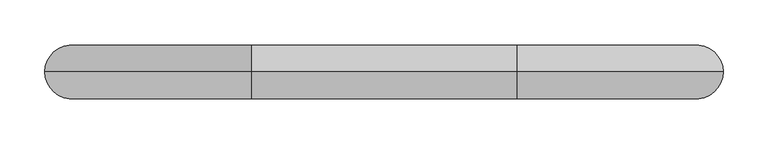
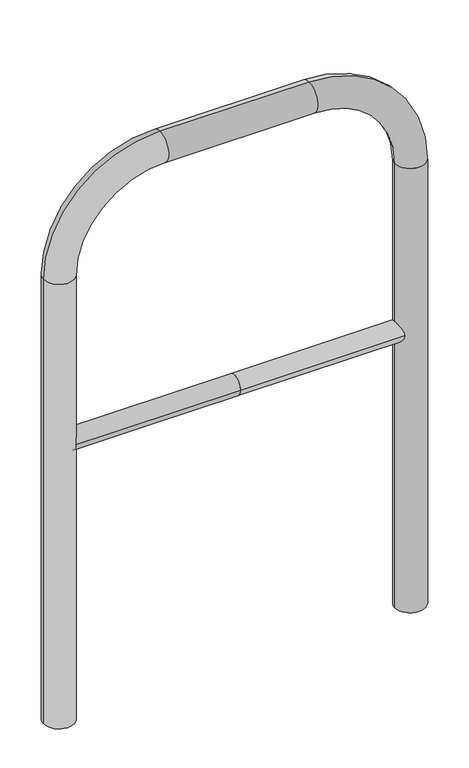
"""IFC4 building model written with IfcOpenShell, lengths in millimetres: proxy geometry."""

from ifc_helpers import new_model, si_unit, point, frame, frame_2d, origin, place, context, project, spatial, circle_curve, ellipse_curve, trimmed, segment, composite_curve, outline, extrude, source, transform, mapped, element, save
from ifc_brep_helpers import plane_surface, cylinder_surface, revolved_surface, advanced_brep


def generic_models_7c62ab7f(model_context):
    return source(origin(), model_context, "Body", "SolidModel", [
        extrude(outline(composite_curve([segment(trimmed(circle_curve(frame_2d((0.0, 498.4778375)), 20.0), [point((-20.0, 498.4778375))], [point((20.0, 498.4778375))], False, "CARTESIAN"), True, "CONTINUOUS"), segment(trimmed(circle_curve(frame_2d((0.0, 498.4778375)), 20.0), [point((20.0, 498.4778375))], [point((-20.0, 498.4778375))], False, "CARTESIAN"), True, "CONTINUOUS")], self_intersect=False)), frame((-347.5182478, 0.0, 0.0), z_axis=(1.0, 0.0, 0.0), x_axis=(0.0, 1.0, 0.0)), (0.0, 0.0, 1.0), 347.5182478),
        extrude(outline(composite_curve([segment(trimmed(circle_curve(frame_2d((0.0, 498.4778375)), 20.0), [point((-20.0, 498.4778375))], [point((20.0, 498.4778375))], False, "CARTESIAN"), True, "CONTINUOUS"), segment(trimmed(circle_curve(frame_2d((0.0, 498.4778375)), 20.0), [point((20.0, 498.4778375))], [point((-20.0, 498.4778375))], False, "CARTESIAN"), True, "CONTINUOUS")], self_intersect=False)), frame((0.0, 0.0, 0.0), z_axis=(1.0, 0.0, 0.0), x_axis=(0.0, 1.0, 0.0)), (0.0, 0.0, 1.0), 347.5182478),
        advanced_brep(
        [(-317.5182478, 0.0, -80.0), (-377.5182478, 0.0, -80.0), (-317.5182478, 0.0, 850.0), (-377.5182478, 0.0, 850.0), (-147.5182478, 0.0, 1080.0), (-147.5182478, 0.0, 1020.0), (147.5182478, 0.0, 1020.0), (147.5182478, 0.0, 1080.0), (377.5182478, 0.0, 850.0), (317.5182478, 0.0, 850.0), (317.5182478, 0.0, -80.0), (377.5182478, 0.0, -80.0)],
        [
            (0, 1, circle_curve(frame((-347.5182478, 0.0, -80.0), z_axis=(0.0, 0.0, -1.0), x_axis=(-1.0, 0.0, 0.0)), 30.0)),
            (1, 0, circle_curve(frame((-347.5182478, 0.0, -80.0), z_axis=(0.0, 0.0, -1.0), x_axis=(-1.0, 0.0, 0.0)), 30.0)),
            (0, 2),
            (2, 3, circle_curve(frame((-347.5182478, 0.0, 850.0), z_axis=(0.0, 0.0, -1.0), x_axis=(-1.0, 0.0, 0.0)), 30.0)),
            (3, 1),
            (3, 2, circle_curve(frame((-347.5182478, 0.0, 850.0), z_axis=(0.0, 0.0, -1.0), x_axis=(-1.0, 0.0, 0.0)), 30.0)),
            (4, 3, circle_curve(frame((-147.5182478, 0.0, 850.0), z_axis=(0.0, -1.0, 0.0), x_axis=(-1.0, 0.0, 0.0)), 230.0)),
            (2, 5, circle_curve(frame((-147.5182478, 0.0, 850.0), z_axis=(0.0, 1.0, 0.0), x_axis=(-1.0, 0.0, 0.0)), 170.0)),
            (5, 4, circle_curve(frame((-147.5182478, 0.0, 1050.0), z_axis=(-1.0, 0.0, 0.0), x_axis=(0.0, 0.0, 1.0)), 30.0)),
            (4, 5, circle_curve(frame((-147.5182478, 0.0, 1050.0), z_axis=(-1.0, 0.0, 0.0), x_axis=(0.0, 0.0, 1.0)), 30.0)),
            (5, 6),
            (6, 7, circle_curve(frame((147.5182478, 0.0, 1050.0), z_axis=(-1.0, 0.0, 0.0), x_axis=(0.0, 0.0, 1.0)), 30.0)),
            (7, 4),
            (7, 6, circle_curve(frame((147.5182478, 0.0, 1050.0), z_axis=(-1.0, 0.0, 0.0), x_axis=(0.0, 0.0, 1.0)), 30.0)),
            (8, 7, circle_curve(frame((147.5182478, 0.0, 850.0), z_axis=(0.0, -1.0, 0.0), x_axis=(0.0, 0.0, 1.0)), 230.0)),
            (6, 9, circle_curve(frame((147.5182478, 0.0, 850.0), z_axis=(0.0, 1.0, 0.0), x_axis=(0.0, 0.0, 1.0)), 170.0)),
            (9, 8, circle_curve(frame((347.5182478, 0.0, 850.0), z_axis=(0.0, 0.0, 1.0), x_axis=(1.0, 0.0, 0.0)), 30.0)),
            (8, 9, circle_curve(frame((347.5182478, 0.0, 850.0), z_axis=(0.0, 0.0, 1.0), x_axis=(1.0, 0.0, 0.0)), 30.0)),
            (10, 11, circle_curve(frame((347.5182478, 0.0, -80.0), z_axis=(0.0, 0.0, -1.0), x_axis=(1.0, 0.0, 0.0)), 30.0)),
            (11, 10, circle_curve(frame((347.5182478, 0.0, -80.0), z_axis=(0.0, 0.0, -1.0), x_axis=(1.0, 0.0, 0.0)), 30.0)),
            (9, 10),
            (11, 8),
        ],
        [
            plane_surface(frame((-347.5182478, 0.0, -80.0), z_axis=(0.0, 0.0, -1.0), x_axis=(0.0, -1.0, 0.0))),
            cylinder_surface(frame((-347.5182478, 0.0, -80.0), z_axis=(0.0, 0.0, -1.0), x_axis=(-1.0, 0.0, 0.0)), 30.0),
            revolved_surface(trimmed(ellipse_curve(frame((-347.5182478, 0.0, 850.0), z_axis=(0.0, 0.0, -1.0), x_axis=(-1.0, 0.0, 0.0)), 30.0, 30.0), [point((-317.5182478, 0.0, 850.0))], [point((-377.5182478, 0.0, 850.0))], True, "CARTESIAN"), (-147.5182478, 0.0, 850.0), (0.0, 1.0, 0.0)),
            revolved_surface(trimmed(ellipse_curve(frame((-347.5182478, 0.0, 850.0), z_axis=(0.0, 0.0, -1.0), x_axis=(-1.0, 0.0, 0.0)), 30.0, 30.0), [point((-377.5182478, 0.0, 850.0))], [point((-317.5182478, 0.0, 850.0))], True, "CARTESIAN"), (-147.5182478, 0.0, 850.0), (0.0, 1.0, 0.0)),
            cylinder_surface(frame((-147.5182478, 0.0, 1050.0), z_axis=(-1.0, 0.0, 0.0), x_axis=(0.0, 0.0, 1.0)), 30.0),
            revolved_surface(trimmed(ellipse_curve(frame((147.5182478, 0.0, 1050.0), z_axis=(-1.0, 0.0, 0.0), x_axis=(0.0, 0.0, 1.0)), 30.0, 30.0), [point((147.5182478, 0.0, 1020.0))], [point((147.5182478, 0.0, 1080.0))], True, "CARTESIAN"), (147.5182478, 0.0, 850.0), (0.0, 1.0, 0.0)),
            revolved_surface(trimmed(ellipse_curve(frame((147.5182478, 0.0, 1050.0), z_axis=(-1.0, 0.0, 0.0), x_axis=(0.0, 0.0, 1.0)), 30.0, 30.0), [point((147.5182478, 0.0, 1080.0))], [point((147.5182478, 0.0, 1020.0))], True, "CARTESIAN"), (147.5182478, 0.0, 850.0), (0.0, 1.0, 0.0)),
            plane_surface(frame((347.5182478, 0.0, -80.0), z_axis=(0.0, 0.0, -1.0), x_axis=(0.0, -1.0, 0.0))),
            cylinder_surface(frame((347.5182478, 0.0, 850.0), z_axis=(0.0, 0.0, 1.0), x_axis=(1.0, 0.0, 0.0)), 30.0),
        ],
        [
            (0, [[1, 2]]),
            (1, [[-1, 3, 4, 5]]),
            (1, [[-2, -5, 6, -3]]),
            (2, [[7, -4, 8, 9]]),
            (3, [[-8, -6, -7, 10]]),
            (4, [[-9, 11, 12, 13]]),
            (4, [[-10, -13, 14, -11]]),
            (5, [[15, -12, 16, 17]]),
            (6, [[-16, -14, -15, 18]]),
            (7, [[19, 20]]),
            (8, [[-17, 21, -20, 22]]),
            (8, [[-18, -22, -19, -21]]),
        ],
    ),
    ])


if __name__ == "__main__":
    model = new_model("IFC4")
    model_context = context("Model", 3, world=origin())
    ifc_project = project(units=[si_unit("LENGTHUNIT", "METRE", prefix="MILLI")], contexts=[model_context])
    site = spatial("IfcSite", under=ifc_project)
    building = spatial("IfcBuilding", under=site)
    placement = place(None, origin())
    generic_models_shape = generic_models_7c62ab7f(model_context)
    element("IfcBuildingElementProxy", 1, Name="Generic Models", at=placement, inside=building, context=model_context, shape_type="MappedRepresentation", body=[
        mapped(generic_models_shape, transform((0.0, 0.0, 0.0), x_axis=(1.0, 0.0, 0.0), y_axis=(0.0, 1.0, 0.0), z_axis=(0.0, 0.0, 1.0))),
    ])
    save(model, "model.ifc")
